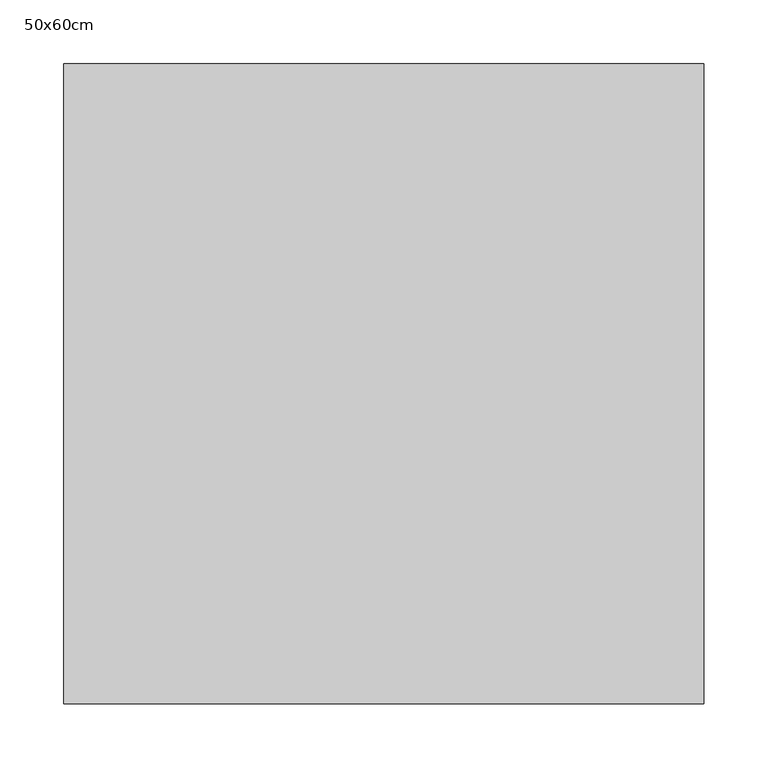
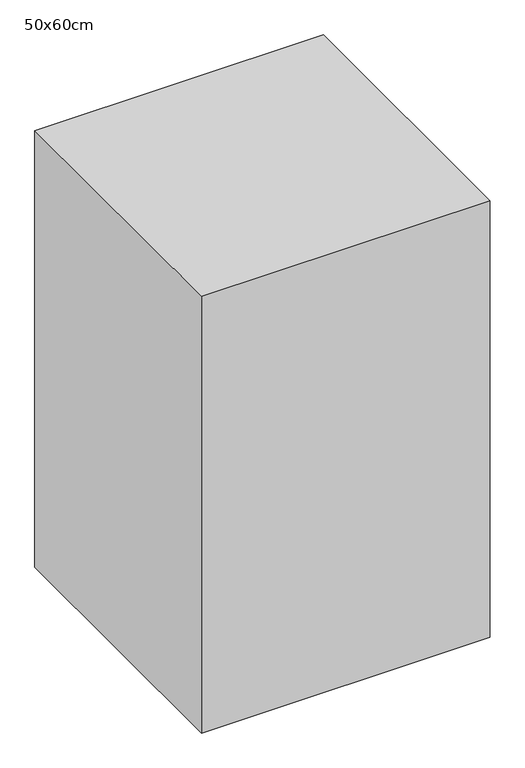
"""IFC4 building model written with IfcOpenShell, lengths in millimetres: proxy geometry, 50x60cm."""

from ifc_helpers import new_model, si_unit, frame, origin, place, context, project, spatial, polyline, outline, extrude, source, transform, mapped, element, save


def proxy_50x60cm_68d6d3fd(model_context):
    return source(origin(), model_context, "Body", "SweptSolid", [
        extrude(outline(polyline([(500.0, 500.0), (500.0, 0.0), (0.0, 0.0), (0.0, 500.0), (500.0, 500.0)])), frame((0.0, 0.0, 100.0), z_axis=(0.0, 0.0, 1.0), x_axis=(1.0, 0.0, 0.0)), (0.0, 0.0, 1.0), 800.0),
    ])


if __name__ == "__main__":
    model = new_model("IFC4")
    model_context = context("Model", 3, world=origin())
    ifc_project = project(units=[si_unit("LENGTHUNIT", "METRE", prefix="MILLI")], contexts=[model_context])
    site = spatial("IfcSite", under=ifc_project)
    building = spatial("IfcBuilding", under=site)
    placement = place(None, origin())
    proxy_50x60cm_shape = proxy_50x60cm_68d6d3fd(model_context)
    element("IfcBuildingElementProxy", 1, Name="50x60cm", ObjectType="50x60cm", at=placement, inside=building, context=model_context, shape_type="MappedRepresentation", body=[
        mapped(proxy_50x60cm_shape, transform((0.0, 0.0, 0.0), x_axis=(1.0, 0.0, 0.0), y_axis=(0.0, 1.0, 0.0), z_axis=(0.0, 0.0, 1.0))),
    ])
    save(model, "model.ifc")
